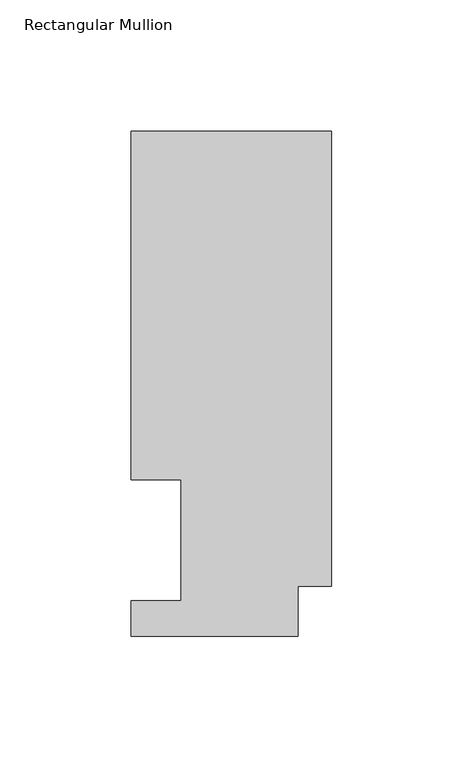
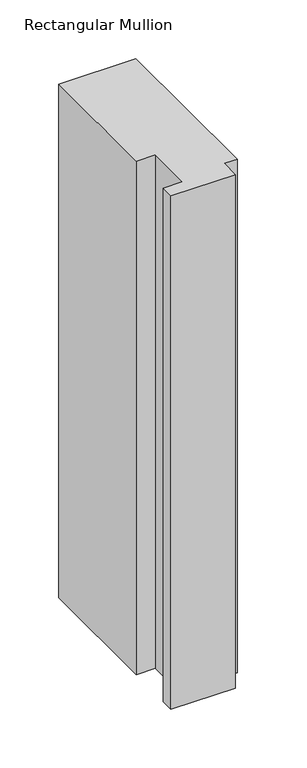
"""IFC4 building model written with IfcOpenShell, lengths in millimetres: member geometry, Rectangular Mullion."""

from ifc_helpers import new_model, si_unit, frame, origin, place, context, project, spatial, polyline, outline, extrude, source, transform, mapped, element, save


def rectangular_mullion_badad30f(model_context):
    return source(origin(), model_context, "Body", "SweptSolid", [
        extrude(outline(polyline([(0.0, 192.09385), (0.0, 19.06905), (-12.7, 19.06905), (-12.7, 0.04445), (-76.2, 0.04445), (-76.2, 13.50645), (-57.1627, 13.50645), (-57.1627, 59.53125), (-76.2, 59.53125), (-76.2, 192.09385), (0.0, 192.09385)])), frame((0.0, 0.0, -535.4849167), z_axis=(0.0, 0.0, 1.0), x_axis=(1.0, 0.0, 0.0)), (0.0, 0.0, 1.0), 535.4849167),
    ])


if __name__ == "__main__":
    model = new_model("IFC4")
    model_context = context("Model", 3, world=origin())
    ifc_project = project(units=[si_unit("LENGTHUNIT", "METRE", prefix="MILLI")], contexts=[model_context])
    site = spatial("IfcSite", under=ifc_project)
    building = spatial("IfcBuilding", under=site)
    placement = place(None, origin())
    rectangular_mullion_shape = rectangular_mullion_badad30f(model_context)
    element("IfcMember", 1, ObjectType="Rectangular Mullion", at=placement, inside=building, context=model_context, shape_type="MappedRepresentation", body=[
        mapped(rectangular_mullion_shape, transform((0.0, 0.0, 0.0), x_axis=(1.0, 0.0, 0.0), y_axis=(0.0, 1.0, 0.0), z_axis=(0.0, 0.0, 1.0))),
    ])
    save(model, "model.ifc")
